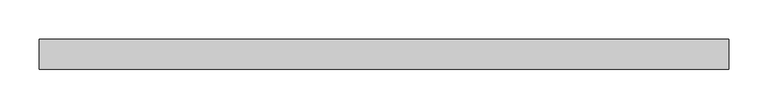
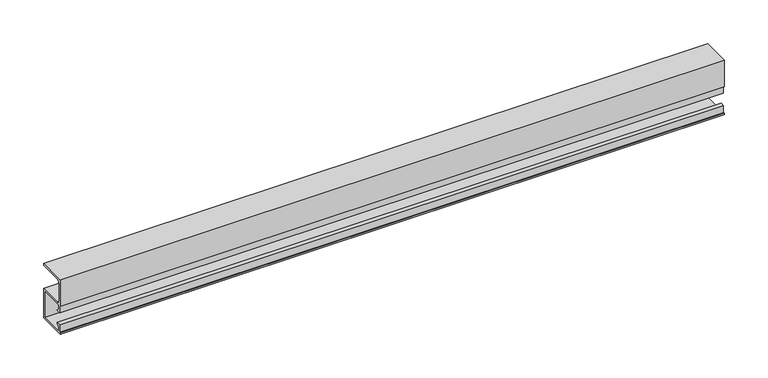
"""IFC4 building model written with IfcOpenShell, lengths in millimetres: proxy geometry."""

from ifc_helpers import new_model, si_unit, point, frame, frame_2d, origin, place, context, project, spatial, polyline, circle_curve, trimmed, segment, composite_curve, outline, extrude, source, transform, mapped, element, save


def generic_models_c87c6ba9(model_context):
    return source(origin(), model_context, "Body", "SweptSolid", [
        extrude(outline(composite_curve([segment(polyline([(19.05, 76.2), (19.05, 73.0366675), (-11.7263938, 73.0366675)]), True, "CONTINUOUS"), segment(trimmed(circle_curve(frame_2d((-11.7263938, 68.8766675)), 4.16), [point((-11.7263938, 73.0366675))], [point((-15.8863938, 68.8766675))], True, "CARTESIAN"), True, "CONTINUOUS"), segment(polyline([(-15.8863938, 68.8766675), (-15.8863938, 45.1622619)]), True, "CONTINUOUS"), segment(trimmed(circle_curve(frame_2d((-11.7263939, 45.1622619)), 4.16), [point((-15.8863938, 45.1622619))], [point((-11.7263939, 41.0022619))], True, "CARTESIAN"), True, "CONTINUOUS"), segment(polyline([(-11.7263939, 41.0022619), (19.05, 41.0022619), (19.05, 0.0), (-19.05, 0.0), (-19.05, 2.0), (-17.2675673, 2.0), (-17.2675673, 12.0), (-11.6296712, 12.0), (-11.6296712, 10.9872145), (-15.307198, 7.3627855), (-15.307198, 2.0), (17.0613644, 2.0), (17.0613644, 39.0022619), (-15.307198, 39.0022619), (-15.307198, 33.6394764), (-11.6296712, 30.0150473), (-11.6296712, 29.0022619), (-17.2675673, 29.0022619), (-17.2675673, 39.0022619), (-19.05, 39.0022619), (-19.05, 76.2), (19.05, 76.2)]), True, "CONTINUOUS")], self_intersect=False)), frame((0.0, 0.0, 0.0), z_axis=(1.0, 0.0, 0.0), x_axis=(0.0, 1.0, 0.0)), (0.0, 0.0, 1.0), 876.3),
    ])


if __name__ == "__main__":
    model = new_model("IFC4")
    model_context = context("Model", 3, world=origin())
    ifc_project = project(units=[si_unit("LENGTHUNIT", "METRE", prefix="MILLI")], contexts=[model_context])
    site = spatial("IfcSite", under=ifc_project)
    building = spatial("IfcBuilding", under=site)
    placement = place(None, origin())
    generic_models_shape = generic_models_c87c6ba9(model_context)
    element("IfcBuildingElementProxy", 1, Name="Generic Models", at=placement, inside=building, context=model_context, shape_type="MappedRepresentation", body=[
        mapped(generic_models_shape, transform((0.0, 0.0, 0.0), x_axis=(1.0, 0.0, 0.0), y_axis=(0.0, 1.0, 0.0), z_axis=(0.0, 0.0, 1.0))),
    ])
    save(model, "model.ifc")
